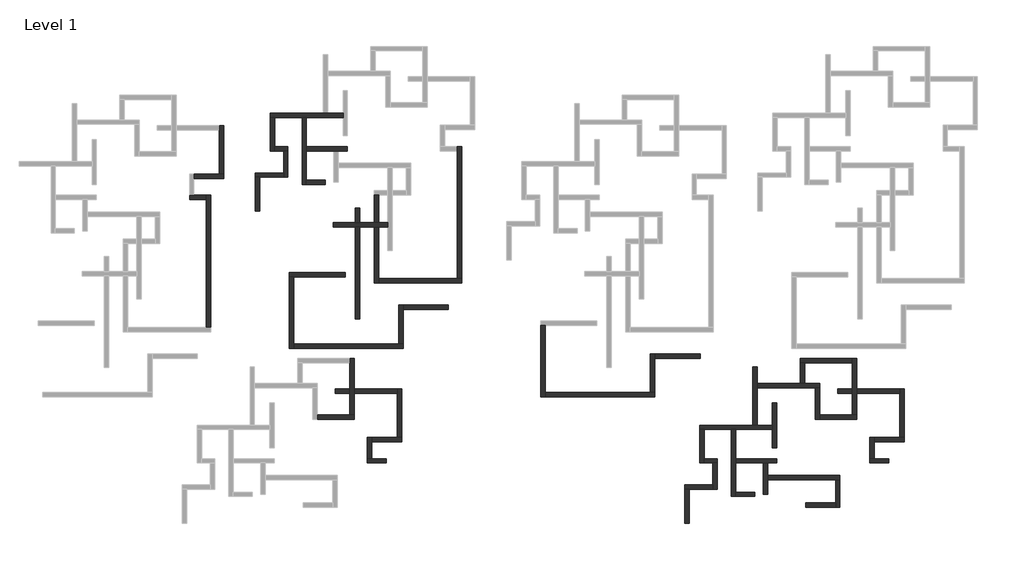
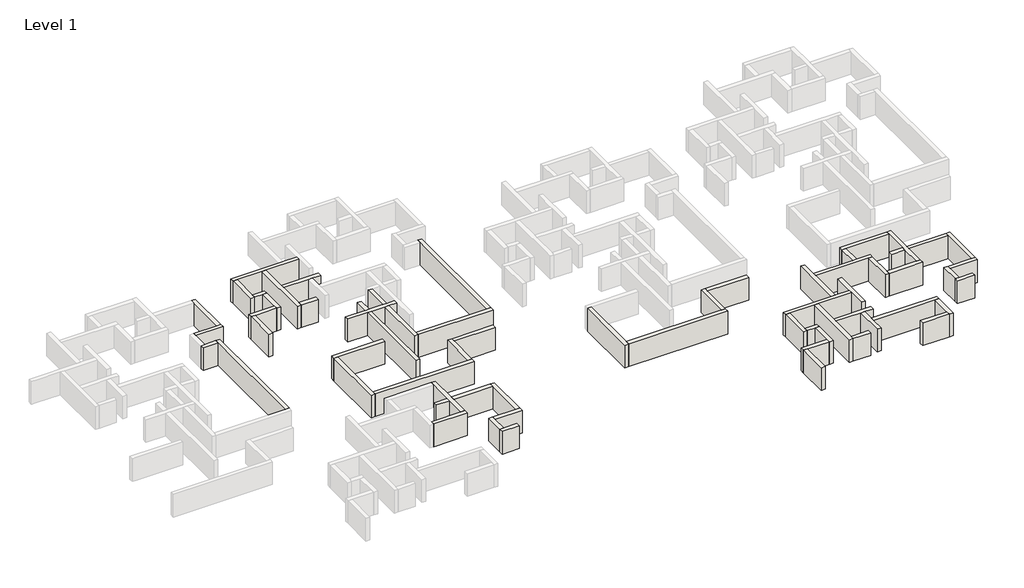
# One storey, part 2 of 7: 60 walls.
"""IFC4 building model written with IfcOpenShell, lengths in millimetres."""

from ifc_helpers import new_model, si_unit, origin, origin_with_axes, place, context, project, spatial, polyline, outline, extrude, faceted_brep, element, save

model = new_model("IFC4")

# Units and contexts
model_context = context("Model", 3, world=origin())
ifc_project = project(units=[si_unit("LENGTHUNIT", "METRE", prefix="MILLI")], contexts=[model_context])

# Site, building, storey
site = spatial("IfcSite", under=ifc_project)
building = spatial("IfcBuilding", under=site)
storey = spatial("IfcBuildingStorey", under=building, Name="Level 1", Elevation=0.0)

# Walls
placement = place(None, origin())
element("IfcWall", 1, ObjectType="Generic - 200mm", at=placement, inside=storey, context=model_context, shape_type="Brep", body=[
    faceted_brep([(2065.1966596, -61162.5465156, 0.0), (2065.1966596, -46162.5465156, 0.0), (2065.1966596, -46162.5465156, 3000.0), (2065.1966596, -61162.5465156, 3000.0), (1565.1966596, -61162.5465156, 0.0), (1565.1966596, -61162.5465156, 3000.0), (1565.1966596, -46662.5465156, 3000.0), (1565.1966596, -46162.5465156, 3000.0), (1565.1966596, -46162.5465156, 0.0), (1565.1966596, -46662.5465156, 0.0)], [[[0, 1, 2, 3]], [[4, 5, 6, 7, 8, 9]], [[1, 0, 4, 9, 8]], [[3, 2, 7, 6, 5]], [[0, 3, 5, 4]], [[2, 1, 8, 7]]]),
])
element("IfcWall", 2, ObjectType="Generic - 200mm", at=placement, inside=storey, context=model_context, shape_type="Brep", body=[
    faceted_brep([(1565.1966596, -46162.5465156, 0.0), (165.1966596, -46162.5465156, 0.0), (-334.8033404, -46162.5465156, 0.0), (-334.8033404, -46162.5465156, 3000.0), (165.1966596, -46162.5465156, 3000.0), (1565.1966596, -46162.5465156, 3000.0), (1565.1966596, -46662.5465156, 0.0), (1565.1966596, -46662.5465156, 3000.0), (-334.8033404, -46662.5465156, 3000.0), (-334.8033404, -46662.5465156, 0.0)], [[[0, 1, 2, 3, 4, 5]], [[6, 7, 8, 9]], [[2, 1, 0, 6, 9]], [[5, 4, 3, 8, 7]], [[0, 5, 7, 6]], [[3, 2, 9, 8]]]),
])
element("IfcWall", 3, ObjectType="Generic - 200mm", at=placement, inside=storey, context=model_context, shape_type="Brep", body=[
    faceted_brep([(165.1966596, -44262.5465156, 0.0), (3565.1966596, -44262.5465156, 0.0), (3565.1966596, -44262.5465156, 3000.0), (165.1966596, -44262.5465156, 3000.0), (165.1966596, -43762.5465156, 0.0), (165.1966596, -43762.5465156, 3000.0), (3065.1966596, -43762.5465156, 3000.0), (3565.1966596, -43762.5465156, 3000.0), (3565.1966596, -43762.5465156, 0.0), (3065.1966596, -43762.5465156, 0.0)], [[[0, 1, 2, 3]], [[4, 5, 6, 7, 8, 9]], [[1, 0, 4, 9, 8]], [[3, 2, 7, 6, 5]], [[0, 3, 5, 4]], [[2, 1, 8, 7]]]),
])
element("IfcWall", 4, ObjectType="Generic - 200mm", at=placement, inside=storey, context=model_context, shape_type="Brep", body=[
    faceted_brep([(3565.1966596, -43762.5465156, 0.0), (3565.1966596, -38262.5465156, 0.0), (3565.1966596, -38262.5465156, 3000.0), (3565.1966596, -43762.5465156, 3000.0), (3065.1966596, -43762.5465156, 0.0), (3065.1966596, -43762.5465156, 3000.0), (3065.1966596, -38762.5465156, 3000.0), (3065.1966596, -38262.5465156, 3000.0), (3065.1966596, -38262.5465156, 0.0), (3065.1966596, -38762.5465156, 0.0)], [[[0, 1, 2, 3]], [[4, 5, 6, 7, 8, 9]], [[1, 0, 4, 9, 8]], [[3, 2, 7, 6, 5]], [[0, 3, 5, 4]], [[2, 1, 8, 7]]]),
])
element("IfcWall", 5, ObjectType="Generic - 200mm", at=placement, inside=storey, context=model_context, shape_type="Brep", body=[
    faceted_brep([(8832.3849796, -37329.0856497, 0.0), (9332.3849796, -37329.0856497, 0.0), (12432.3849796, -37329.0856497, 0.0), (12932.3849796, -37329.0856497, 0.0), (17082.3849796, -37329.0856497, 0.0), (17082.3849796, -37329.0856497, 3000.0), (12932.3849796, -37329.0856497, 3000.0), (12432.3849796, -37329.0856497, 3000.0), (9332.3849796, -37329.0856497, 3000.0), (8832.3849796, -37329.0856497, 3000.0), (8832.3849796, -36829.0856497, 0.0), (8832.3849796, -36829.0856497, 3000.0), (14832.3849796, -36829.0856497, 3000.0), (15332.3849796, -36829.0856497, 3000.0), (17082.3849796, -36829.0856497, 3000.0), (17082.3849796, -36829.0856497, 0.0), (15332.3849796, -36829.0856497, 0.0), (14832.3849796, -36829.0856497, 0.0)], [[[0, 1, 2, 3, 4, 5, 6, 7, 8, 9]], [[10, 11, 12, 13, 14, 15, 16, 17]], [[4, 3, 2, 1, 0, 10, 17, 16, 15]], [[9, 8, 7, 6, 5, 14, 13, 12, 11]], [[0, 9, 11, 10]], [[5, 4, 15, 14]]]),
])
element("IfcWall", 6, ObjectType="Generic - 200mm", at=placement, inside=storey, context=model_context, shape_type="Brep", body=[
    faceted_brep([(12432.3849796, -37329.0856497, 0.0), (12432.3849796, -44929.0856497, 0.0), (12432.3849796, -44929.0856497, 3000.0), (12432.3849796, -37329.0856497, 3000.0), (12932.3849796, -37329.0856497, 0.0), (12932.3849796, -37329.0856497, 3000.0), (12932.3849796, -40629.0856497, 3000.0), (12932.3849796, -41129.0856497, 3000.0), (12932.3849796, -44429.0856497, 3000.0), (12932.3849796, -44929.0856497, 3000.0), (12932.3849796, -44929.0856497, 0.0), (12932.3849796, -44429.0856497, 0.0), (12932.3849796, -41129.0856497, 0.0), (12932.3849796, -40629.0856497, 0.0)], [[[0, 1, 2, 3]], [[4, 5, 6, 7, 8, 9, 10, 11, 12, 13]], [[1, 0, 4, 13, 12, 11, 10]], [[3, 2, 9, 8, 7, 6, 5]], [[0, 3, 5, 4]], [[2, 1, 10, 9]]]),
])
element("IfcWall", 7, ObjectType="Generic - 200mm", at=placement, inside=storey, context=model_context, shape_type="Brep", body=[
    faceted_brep([(12932.3849796, -41129.0856497, 0.0), (16032.3849796, -41129.0856497, 0.0), (16532.3849796, -41129.0856497, 0.0), (17582.3849796, -41129.0856497, 0.0), (17582.3849796, -41129.0856497, 3000.0), (16532.3849796, -41129.0856497, 3000.0), (16032.3849796, -41129.0856497, 3000.0), (12932.3849796, -41129.0856497, 3000.0), (12932.3849796, -40629.0856497, 0.0), (12932.3849796, -40629.0856497, 3000.0), (17582.3849796, -40629.0856497, 3000.0), (17582.3849796, -40629.0856497, 0.0)], [[[0, 1, 2, 3, 4, 5, 6, 7]], [[8, 9, 10, 11]], [[3, 2, 1, 0, 8, 11]], [[4, 3, 11, 10]], [[7, 6, 5, 4, 10, 9]], [[0, 7, 9, 8]]]),
])
element("IfcWall", 8, ObjectType="Generic - 200mm", at=placement, inside=storey, context=model_context, shape_type="Brep", body=[
    faceted_brep([(8832.3849796, -37329.0856497, 0.0), (8832.3849796, -41129.0856497, 0.0), (8832.3849796, -41129.0856497, 3000.0), (8832.3849796, -37329.0856497, 3000.0), (9332.3849796, -37329.0856497, 0.0), (9332.3849796, -37329.0856497, 3000.0), (9332.3849796, -40629.0856497, 3000.0), (9332.3849796, -41129.0856497, 3000.0), (9332.3849796, -41129.0856497, 0.0), (9332.3849796, -40629.0856497, 0.0)], [[[0, 1, 2, 3]], [[4, 5, 6, 7, 8, 9]], [[1, 0, 4, 9, 8]], [[3, 2, 7, 6, 5]], [[0, 3, 5, 4]], [[2, 1, 8, 7]]]),
])
element("IfcWall", 9, ObjectType="Generic - 200mm", at=placement, inside=storey, context=model_context, shape_type="Brep", body=[
    faceted_brep([(9332.3849796, -41129.0856497, 0.0), (10332.3849796, -41129.0856497, 0.0), (10832.3849796, -41129.0856497, 0.0), (10832.3849796, -41129.0856497, 3000.0), (10332.3849796, -41129.0856497, 3000.0), (9332.3849796, -41129.0856497, 3000.0), (9332.3849796, -40629.0856497, 0.0), (9332.3849796, -40629.0856497, 3000.0), (10832.3849796, -40629.0856497, 3000.0), (10832.3849796, -40629.0856497, 0.0)], [[[0, 1, 2, 3, 4, 5]], [[6, 7, 8, 9]], [[2, 1, 0, 6, 9]], [[5, 4, 3, 8, 7]], [[0, 5, 7, 6]], [[3, 2, 9, 8]]]),
])
element("IfcWall", 10, ObjectType="Generic - 200mm", at=placement, inside=storey, context=model_context, shape_type="Brep", body=[
    faceted_brep([(10332.3849796, -41129.0856497, 0.0), (10332.3849796, -43629.0856497, 0.0), (10332.3849796, -44129.0856497, 0.0), (10332.3849796, -44129.0856497, 3000.0), (10332.3849796, -43629.0856497, 3000.0), (10332.3849796, -41129.0856497, 3000.0), (10832.3849796, -41129.0856497, 0.0), (10832.3849796, -41129.0856497, 3000.0), (10832.3849796, -44129.0856497, 3000.0), (10832.3849796, -44129.0856497, 0.0)], [[[0, 1, 2, 3, 4, 5]], [[6, 7, 8, 9]], [[2, 1, 0, 6, 9]], [[5, 4, 3, 8, 7]], [[0, 5, 7, 6]], [[3, 2, 9, 8]]]),
])
element("IfcWall", 11, ObjectType="Generic - 200mm", at=placement, inside=storey, context=model_context, shape_type="Brep", body=[
    faceted_brep([(10332.3849796, -43629.0856497, 0.0), (7132.3849796, -43629.0856497, 0.0), (7132.3849796, -43629.0856497, 3000.0), (10332.3849796, -43629.0856497, 3000.0), (10332.3849796, -44129.0856497, 0.0), (10332.3849796, -44129.0856497, 3000.0), (7632.3849796, -44129.0856497, 3000.0), (7132.3849796, -44129.0856497, 3000.0), (7132.3849796, -44129.0856497, 0.0), (7632.3849796, -44129.0856497, 0.0)], [[[0, 1, 2, 3]], [[4, 5, 6, 7, 8, 9]], [[1, 0, 4, 9, 8]], [[3, 2, 7, 6, 5]], [[0, 3, 5, 4]], [[2, 1, 8, 7]]]),
])
element("IfcWall", 12, ObjectType="Generic - 200mm", at=placement, inside=storey, context=model_context, shape_type="SweptSolid", body=[
    extrude(outline(polyline([(7132.3849796, -47979.0856497), (7132.3849796, -44129.0856497), (7632.3849796, -44129.0856497), (7632.3849796, -47979.0856497), (7132.3849796, -47979.0856497)])), origin_with_axes(), (0.0, 0.0, 1.0), 3000.0),
])
element("IfcWall", 13, ObjectType="Generic - 200mm", at=placement, inside=storey, context=model_context, shape_type="SweptSolid", body=[
    extrude(outline(polyline([(15082.3849796, -44929.0856497), (12932.3849796, -44929.0856497), (12932.3849796, -44429.0856497), (15082.3849796, -44429.0856497), (15082.3849796, -44929.0856497)])), origin_with_axes(), (0.0, 0.0, 1.0), 3000.0),
])
element("IfcWall", 14, ObjectType="Generic - 200mm", at=placement, inside=storey, context=model_context, shape_type="Brep", body=[
    faceted_brep([(22132.3849796, -49279.0856497, 0.0), (21132.3849796, -49279.0856497, 0.0), (20632.3849796, -49279.0856497, 0.0), (18951.9708687, -49279.0856497, 0.0), (18451.9708687, -49279.0856497, 0.0), (15982.3849796, -49279.0856497, 0.0), (15982.3849796, -49279.0856497, 3000.0), (18451.9708687, -49279.0856497, 3000.0), (18951.9708687, -49279.0856497, 3000.0), (20632.3849796, -49279.0856497, 3000.0), (21132.3849796, -49279.0856497, 3000.0), (22132.3849796, -49279.0856497, 3000.0), (22132.3849796, -49779.0856497, 0.0), (22132.3849796, -49779.0856497, 3000.0), (21132.3849796, -49779.0856497, 3000.0), (20632.3849796, -49779.0856497, 3000.0), (18951.9708687, -49779.0856497, 3000.0), (18451.9708687, -49779.0856497, 3000.0), (15982.3849796, -49779.0856497, 3000.0), (15982.3849796, -49779.0856497, 0.0), (18451.9708687, -49779.0856497, 0.0), (18951.9708687, -49779.0856497, 0.0), (20632.3849796, -49779.0856497, 0.0), (21132.3849796, -49779.0856497, 0.0)], [[[0, 1, 2, 3, 4, 5, 6, 7, 8, 9, 10, 11]], [[12, 13, 14, 15, 16, 17, 18, 19, 20, 21, 22, 23]], [[5, 4, 3, 2, 1, 0, 12, 23, 22, 21, 20, 19]], [[6, 5, 19, 18]], [[11, 10, 9, 8, 7, 6, 18, 17, 16, 15, 14, 13]], [[0, 11, 13, 12]]]),
])
element("IfcWall", 15, ObjectType="Generic - 200mm", at=placement, inside=storey, context=model_context, shape_type="SweptSolid", body=[
    extrude(outline(polyline([(18951.9708687, -60201.9996942), (18451.9708687, -60201.9996942), (18451.9708687, -49779.0856497), (18951.9708687, -49779.0856497), (18951.9708687, -60201.9996942)])), origin_with_axes(), (0.0, 0.0, 1.0), 3000.0),
    extrude(outline(polyline([(18451.9708687, -47601.9996942), (18951.9708687, -47601.9996942), (18951.9708687, -49279.0856497), (18451.9708687, -49279.0856497), (18451.9708687, -47601.9996942)])), origin_with_axes(), (0.0, 0.0, 1.0), 3000.0),
])
element("IfcWall", 16, ObjectType="Generic - 200mm", at=placement, inside=storey, context=model_context, shape_type="Brep", body=[
    faceted_brep([(20632.3849796, -46129.0856497, 3000.0), (20632.3849796, -46129.0856497, 0.0), (20632.3849796, -49279.0856497, 0.0), (20632.3849796, -49279.0856497, 3000.0), (21132.3849796, -46129.0856497, 0.0), (21132.3849796, -46129.0856497, 3000.0), (21132.3849796, -49279.0856497, 3000.0), (21132.3849796, -49279.0856497, 0.0)], [[[0, 1, 2, 3]], [[4, 5, 6, 7]], [[1, 4, 7, 2]], [[5, 0, 3, 6]], [[1, 0, 5, 4]], [[3, 2, 7, 6]]]),
    faceted_brep([(20632.3849796, -56129.0856497, 0.0), (20632.3849796, -56129.0856497, 3000.0), (20632.3849796, -49779.0856497, 3000.0), (20632.3849796, -49779.0856497, 0.0), (21132.3849796, -56129.0856497, 3000.0), (21132.3849796, -56129.0856497, 0.0), (21132.3849796, -55629.0856497, 0.0), (21132.3849796, -49779.0856497, 0.0), (21132.3849796, -49779.0856497, 3000.0), (21132.3849796, -55629.0856497, 3000.0)], [[[0, 1, 2, 3]], [[4, 5, 6, 7, 8, 9]], [[5, 0, 3, 7, 6]], [[1, 4, 9, 8, 2]], [[3, 2, 8, 7]], [[1, 0, 5, 4]]]),
])
element("IfcWall", 17, ObjectType="Generic - 200mm", at=placement, inside=storey, context=model_context, shape_type="Brep", body=[
    faceted_brep([(21132.3849796, -56129.0856497, 0.0), (30532.3849796, -56129.0856497, 0.0), (30532.3849796, -56129.0856497, 3000.0), (21132.3849796, -56129.0856497, 3000.0), (21132.3849796, -55629.0856497, 0.0), (21132.3849796, -55629.0856497, 3000.0), (30032.3849796, -55629.0856497, 3000.0), (30532.3849796, -55629.0856497, 3000.0), (30532.3849796, -55629.0856497, 0.0), (30032.3849796, -55629.0856497, 0.0)], [[[0, 1, 2, 3]], [[4, 5, 6, 7, 8, 9]], [[1, 0, 4, 9, 8]], [[3, 2, 7, 6, 5]], [[0, 3, 5, 4]], [[2, 1, 8, 7]]]),
])
element("IfcWall", 18, ObjectType="Generic - 200mm", at=placement, inside=storey, context=model_context, shape_type="Brep", body=[
    faceted_brep([(30532.3849796, -55629.0856497, 0.0), (30532.3849796, -40629.0856497, 0.0), (30532.3849796, -40629.0856497, 3000.0), (30532.3849796, -55629.0856497, 3000.0), (30032.3849796, -55629.0856497, 0.0), (30032.3849796, -55629.0856497, 3000.0), (30032.3849796, -41129.0856497, 3000.0), (30032.3849796, -40629.0856497, 3000.0), (30032.3849796, -40629.0856497, 0.0), (30032.3849796, -41129.0856497, 0.0)], [[[0, 1, 2, 3]], [[4, 5, 6, 7, 8, 9]], [[1, 0, 4, 9, 8]], [[3, 2, 7, 6, 5]], [[0, 3, 5, 4]], [[2, 1, 8, 7]]]),
])
element("IfcWall", 19, ObjectType="Generic - 200mm", at=placement, inside=storey, context=model_context, shape_type="Brep", body=[
    faceted_brep([(17332.3849796, -54929.0856497, 0.0), (10982.3849796, -54929.0856497, 0.0), (10982.3849796, -54929.0856497, 3000.0), (17332.3849796, -54929.0856497, 3000.0), (17332.3849796, -55429.0856497, 0.0), (17332.3849796, -55429.0856497, 3000.0), (11482.3849796, -55429.0856497, 3000.0), (10982.3849796, -55429.0856497, 3000.0), (10982.3849796, -55429.0856497, 0.0), (11482.3849796, -55429.0856497, 0.0)], [[[0, 1, 2, 3]], [[4, 5, 6, 7, 8, 9]], [[1, 0, 4, 9, 8]], [[3, 2, 7, 6, 5]], [[0, 3, 5, 4]], [[2, 1, 8, 7]]]),
])
element("IfcWall", 20, ObjectType="Generic - 200mm", at=placement, inside=storey, context=model_context, shape_type="Brep", body=[
    faceted_brep([(10982.3849796, -55429.0856497, 0.0), (10982.3849796, -63529.0856497, 0.0), (10982.3849796, -63529.0856497, 3000.0), (10982.3849796, -55429.0856497, 3000.0), (11482.3849796, -55429.0856497, 0.0), (11482.3849796, -55429.0856497, 3000.0), (11482.3849796, -63029.0856497, 3000.0), (11482.3849796, -63529.0856497, 3000.0), (11482.3849796, -63529.0856497, 0.0), (11482.3849796, -63029.0856497, 0.0)], [[[0, 1, 2, 3]], [[4, 5, 6, 7, 8, 9]], [[1, 0, 4, 9, 8]], [[3, 2, 7, 6, 5]], [[0, 3, 5, 4]], [[2, 1, 8, 7]]]),
])
element("IfcWall", 21, ObjectType="Generic - 200mm", at=placement, inside=storey, context=model_context, shape_type="Brep", body=[
    faceted_brep([(11482.3849796, -63529.0856497, 0.0), (23882.3849796, -63529.0856497, 0.0), (23882.3849796, -63529.0856497, 3000.0), (11482.3849796, -63529.0856497, 3000.0), (11482.3849796, -63029.0856497, 0.0), (11482.3849796, -63029.0856497, 3000.0), (23382.3849796, -63029.0856497, 3000.0), (23882.3849796, -63029.0856497, 3000.0), (23882.3849796, -63029.0856497, 0.0), (23382.3849796, -63029.0856497, 0.0)], [[[0, 1, 2, 3]], [[4, 5, 6, 7, 8, 9]], [[1, 0, 4, 9, 8]], [[3, 2, 7, 6, 5]], [[0, 3, 5, 4]], [[2, 1, 8, 7]]]),
])
element("IfcWall", 22, ObjectType="Generic - 200mm", at=placement, inside=storey, context=model_context, shape_type="Brep", body=[
    faceted_brep([(23882.3849796, -63029.0856497, 0.0), (23882.3849796, -59129.0856497, 0.0), (23882.3849796, -58629.0856497, 0.0), (23882.3849796, -58629.0856497, 3000.0), (23882.3849796, -59129.0856497, 3000.0), (23882.3849796, -63029.0856497, 3000.0), (23382.3849796, -63029.0856497, 0.0), (23382.3849796, -63029.0856497, 3000.0), (23382.3849796, -58629.0856497, 3000.0), (23382.3849796, -58629.0856497, 0.0)], [[[0, 1, 2, 3, 4, 5]], [[6, 7, 8, 9]], [[2, 1, 0, 6, 9]], [[5, 4, 3, 8, 7]], [[0, 5, 7, 6]], [[3, 2, 9, 8]]]),
])
element("IfcWall", 23, ObjectType="Generic - 200mm", at=placement, inside=storey, context=model_context, shape_type="SweptSolid", body=[
    extrude(outline(polyline([(29032.3849796, -59129.0856497), (23882.3849796, -59129.0856497), (23882.3849796, -58629.0856497), (29032.3849796, -58629.0856497), (29032.3849796, -59129.0856497)])), origin_with_axes(), (0.0, 0.0, 1.0), 3000.0),
])
element("IfcWall", 24, ObjectType="Generic - 200mm", at=placement, inside=storey, context=model_context, shape_type="Brep", body=[
    faceted_brep([(14132.3849796, -71611.6327635, 0.0), (18332.3849796, -71611.6327635, 0.0), (18332.3849796, -71611.6327635, 3000.0), (14132.3849796, -71611.6327635, 3000.0), (14132.3849796, -71111.6327635, 0.0), (14132.3849796, -71111.6327635, 3000.0), (17832.3849796, -71111.6327635, 3000.0), (18332.3849796, -71111.6327635, 3000.0), (18332.3849796, -71111.6327635, 0.0), (17832.3849796, -71111.6327635, 0.0)], [[[0, 1, 2, 3]], [[4, 5, 6, 7, 8, 9]], [[1, 0, 4, 9, 8]], [[3, 2, 7, 6, 5]], [[0, 3, 5, 4]], [[2, 1, 8, 7]]]),
])
element("IfcWall", 25, ObjectType="Generic - 200mm", at=placement, inside=storey, context=model_context, shape_type="Brep", body=[
    faceted_brep([(18332.3849796, -71111.6327635, 0.0), (18332.3849796, -68661.6327635, 0.0), (18332.3849796, -68161.6327635, 0.0), (18332.3849796, -64711.6327635, 0.0), (18332.3849796, -64711.6327635, 3000.0), (18332.3849796, -68161.6327635, 3000.0), (18332.3849796, -68661.6327635, 3000.0), (18332.3849796, -71111.6327635, 3000.0), (17832.3849796, -71111.6327635, 0.0), (17832.3849796, -71111.6327635, 3000.0), (17832.3849796, -68661.6327635, 3000.0), (17832.3849796, -68161.6327635, 3000.0), (17832.3849796, -65211.6327635, 3000.0), (17832.3849796, -64711.6327635, 3000.0), (17832.3849796, -64711.6327635, 0.0), (17832.3849796, -65211.6327635, 0.0), (17832.3849796, -68161.6327635, 0.0), (17832.3849796, -68661.6327635, 0.0)], [[[0, 1, 2, 3, 4, 5, 6, 7]], [[8, 9, 10, 11, 12, 13, 14, 15, 16, 17]], [[3, 2, 1, 0, 8, 17, 16, 15, 14]], [[7, 6, 5, 4, 13, 12, 11, 10, 9]], [[0, 7, 9, 8]], [[4, 3, 14, 13]]]),
])
element("IfcWall", 26, ObjectType="Generic - 200mm", at=placement, inside=storey, context=model_context, shape_type="Brep", body=[
    faceted_brep([(21982.3849796, -76061.6327635, 0.0), (20332.3849796, -76061.6327635, 0.0), (19832.3849796, -76061.6327635, 0.0), (19832.3849796, -76061.6327635, 3000.0), (20332.3849796, -76061.6327635, 3000.0), (21982.3849796, -76061.6327635, 3000.0), (21982.3849796, -76561.6327635, 0.0), (21982.3849796, -76561.6327635, 3000.0), (19832.3849796, -76561.6327635, 3000.0), (19832.3849796, -76561.6327635, 0.0)], [[[0, 1, 2, 3, 4, 5]], [[6, 7, 8, 9]], [[2, 1, 0, 6, 9]], [[5, 4, 3, 8, 7]], [[0, 5, 7, 6]], [[3, 2, 9, 8]]]),
])
element("IfcWall", 27, ObjectType="Generic - 200mm", at=placement, inside=storey, context=model_context, shape_type="Brep", body=[
    faceted_brep([(20332.3849796, -76061.6327635, 0.0), (20332.3849796, -74161.6327635, 0.0), (20332.3849796, -73661.6327635, 0.0), (20332.3849796, -73661.6327635, 3000.0), (20332.3849796, -74161.6327635, 3000.0), (20332.3849796, -76061.6327635, 3000.0), (19832.3849796, -76061.6327635, 0.0), (19832.3849796, -76061.6327635, 3000.0), (19832.3849796, -73661.6327635, 3000.0), (19832.3849796, -73661.6327635, 0.0)], [[[0, 1, 2, 3, 4, 5]], [[6, 7, 8, 9]], [[2, 1, 0, 6, 9]], [[5, 4, 3, 8, 7]], [[0, 5, 7, 6]], [[3, 2, 9, 8]]]),
])
element("IfcWall", 28, ObjectType="Generic - 200mm", at=placement, inside=storey, context=model_context, shape_type="Brep", body=[
    faceted_brep([(20332.3849796, -74161.6327635, 0.0), (23732.3849796, -74161.6327635, 0.0), (23732.3849796, -74161.6327635, 3000.0), (20332.3849796, -74161.6327635, 3000.0), (20332.3849796, -73661.6327635, 0.0), (20332.3849796, -73661.6327635, 3000.0), (23232.3849796, -73661.6327635, 3000.0), (23732.3849796, -73661.6327635, 3000.0), (23732.3849796, -73661.6327635, 0.0), (23232.3849796, -73661.6327635, 0.0)], [[[0, 1, 2, 3]], [[4, 5, 6, 7, 8, 9]], [[1, 0, 4, 9, 8]], [[3, 2, 7, 6, 5]], [[0, 3, 5, 4]], [[2, 1, 8, 7]]]),
])
element("IfcWall", 29, ObjectType="Generic - 200mm", at=placement, inside=storey, context=model_context, shape_type="Brep", body=[
    faceted_brep([(23732.3849796, -73661.6327635, 0.0), (23732.3849796, -68161.6327635, 0.0), (23732.3849796, -68161.6327635, 3000.0), (23732.3849796, -73661.6327635, 3000.0), (23232.3849796, -73661.6327635, 0.0), (23232.3849796, -73661.6327635, 3000.0), (23232.3849796, -68661.6327635, 3000.0), (23232.3849796, -68161.6327635, 3000.0), (23232.3849796, -68161.6327635, 0.0), (23232.3849796, -68661.6327635, 0.0)], [[[0, 1, 2, 3]], [[4, 5, 6, 7, 8, 9]], [[1, 0, 4, 9, 8]], [[3, 2, 7, 6, 5]], [[0, 3, 5, 4]], [[2, 1, 8, 7]]]),
])
element("IfcWall", 30, ObjectType="Generic - 200mm", at=placement, inside=storey, context=model_context, shape_type="SweptSolid", body=[
    extrude(outline(polyline([(16182.3849796, -68661.6327635), (16182.3849796, -68161.6327635), (17832.3849796, -68161.6327635), (17832.3849796, -68661.6327635), (16182.3849796, -68661.6327635)])), origin_with_axes(), (0.0, 0.0, 1.0), 3000.0),
    extrude(outline(polyline([(23232.3849796, -68161.6327635), (23232.3849796, -68661.6327635), (18332.3849796, -68661.6327635), (18332.3849796, -68161.6327635), (23232.3849796, -68161.6327635)])), origin_with_axes(), (0.0, 0.0, 1.0), 3000.0),
])
element("IfcWall", 31, ObjectType="Generic - 200mm", at=placement, inside=storey, context=model_context, shape_type="Brep", body=[
    faceted_brep([(39515.1966596, -60962.5465156, 0.0), (39515.1966596, -69062.5465156, 0.0), (39515.1966596, -69062.5465156, 3000.0), (39515.1966596, -60962.5465156, 3000.0), (40015.1966596, -60962.5465156, 0.0), (40015.1966596, -60962.5465156, 3000.0), (40015.1966596, -68562.5465156, 3000.0), (40015.1966596, -69062.5465156, 3000.0), (40015.1966596, -69062.5465156, 0.0), (40015.1966596, -68562.5465156, 0.0)], [[[0, 1, 2, 3]], [[4, 5, 6, 7, 8, 9]], [[1, 0, 4, 9, 8]], [[3, 2, 7, 6, 5]], [[0, 3, 5, 4]], [[2, 1, 8, 7]]]),
])
element("IfcWall", 32, ObjectType="Generic - 200mm", at=placement, inside=storey, context=model_context, shape_type="Brep", body=[
    faceted_brep([(40015.1966596, -69062.5465156, 0.0), (52415.1966596, -69062.5465156, 0.0), (52415.1966596, -69062.5465156, 3000.0), (40015.1966596, -69062.5465156, 3000.0), (40015.1966596, -68562.5465156, 0.0), (40015.1966596, -68562.5465156, 3000.0), (51915.1966596, -68562.5465156, 3000.0), (52415.1966596, -68562.5465156, 3000.0), (52415.1966596, -68562.5465156, 0.0), (51915.1966596, -68562.5465156, 0.0)], [[[0, 1, 2, 3]], [[4, 5, 6, 7, 8, 9]], [[1, 0, 4, 9, 8]], [[3, 2, 7, 6, 5]], [[0, 3, 5, 4]], [[2, 1, 8, 7]]]),
])
element("IfcWall", 33, ObjectType="Generic - 200mm", at=placement, inside=storey, context=model_context, shape_type="Brep", body=[
    faceted_brep([(52415.1966596, -68562.5465156, 0.0), (52415.1966596, -64662.5465156, 0.0), (52415.1966596, -64162.5465156, 0.0), (52415.1966596, -64162.5465156, 3000.0), (52415.1966596, -64662.5465156, 3000.0), (52415.1966596, -68562.5465156, 3000.0), (51915.1966596, -68562.5465156, 0.0), (51915.1966596, -68562.5465156, 3000.0), (51915.1966596, -64162.5465156, 3000.0), (51915.1966596, -64162.5465156, 0.0)], [[[0, 1, 2, 3, 4, 5]], [[6, 7, 8, 9]], [[2, 1, 0, 6, 9]], [[5, 4, 3, 8, 7]], [[0, 5, 7, 6]], [[3, 2, 9, 8]]]),
])
element("IfcWall", 34, ObjectType="Generic - 200mm", at=placement, inside=storey, context=model_context, shape_type="SweptSolid", body=[
    extrude(outline(polyline([(57565.1966596, -64662.5465156), (52415.1966596, -64662.5465156), (52415.1966596, -64162.5465156), (57565.1966596, -64162.5465156), (57565.1966596, -64662.5465156)])), origin_with_axes(), (0.0, 0.0, 1.0), 3000.0),
])
element("IfcWall", 35, ObjectType="Generic - 200mm", at=placement, inside=storey, context=model_context, shape_type="Brep", body=[
    faceted_brep([(57532.3849796, -72761.6327635, 0.0), (58032.3849796, -72761.6327635, 0.0), (61132.3849796, -72761.6327635, 0.0), (61632.3849796, -72761.6327635, 0.0), (65782.3849796, -72761.6327635, 0.0), (65782.3849796, -72761.6327635, 3000.0), (61632.3849796, -72761.6327635, 3000.0), (61132.3849796, -72761.6327635, 3000.0), (58032.3849796, -72761.6327635, 3000.0), (57532.3849796, -72761.6327635, 3000.0), (57532.3849796, -72261.6327635, 0.0), (57532.3849796, -72261.6327635, 3000.0), (63532.3849796, -72261.6327635, 3000.0), (64032.3849796, -72261.6327635, 3000.0), (65782.3849796, -72261.6327635, 3000.0), (65782.3849796, -72261.6327635, 0.0), (64032.3849796, -72261.6327635, 0.0), (63532.3849796, -72261.6327635, 0.0)], [[[0, 1, 2, 3, 4, 5, 6, 7, 8, 9]], [[10, 11, 12, 13, 14, 15, 16, 17]], [[4, 3, 2, 1, 0, 10, 17, 16, 15]], [[9, 8, 7, 6, 5, 14, 13, 12, 11]], [[0, 9, 11, 10]], [[5, 4, 15, 14]]]),
])
element("IfcWall", 36, ObjectType="Generic - 200mm", at=placement, inside=storey, context=model_context, shape_type="Brep", body=[
    faceted_brep([(61132.3849796, -72761.6327635, 0.0), (61132.3849796, -80361.6327635, 0.0), (61132.3849796, -80361.6327635, 3000.0), (61132.3849796, -72761.6327635, 3000.0), (61632.3849796, -72761.6327635, 0.0), (61632.3849796, -72761.6327635, 3000.0), (61632.3849796, -76061.6327635, 3000.0), (61632.3849796, -76561.6327635, 3000.0), (61632.3849796, -79861.6327635, 3000.0), (61632.3849796, -80361.6327635, 3000.0), (61632.3849796, -80361.6327635, 0.0), (61632.3849796, -79861.6327635, 0.0), (61632.3849796, -76561.6327635, 0.0), (61632.3849796, -76061.6327635, 0.0)], [[[0, 1, 2, 3]], [[4, 5, 6, 7, 8, 9, 10, 11, 12, 13]], [[1, 0, 4, 13, 12, 11, 10]], [[3, 2, 9, 8, 7, 6, 5]], [[0, 3, 5, 4]], [[2, 1, 10, 9]]]),
])
element("IfcWall", 37, ObjectType="Generic - 200mm", at=placement, inside=storey, context=model_context, shape_type="Brep", body=[
    faceted_brep([(61632.3849796, -76561.6327635, 0.0), (64732.3849796, -76561.6327635, 0.0), (65232.3849796, -76561.6327635, 0.0), (66282.3849796, -76561.6327635, 0.0), (66282.3849796, -76561.6327635, 3000.0), (65232.3849796, -76561.6327635, 3000.0), (64732.3849796, -76561.6327635, 3000.0), (61632.3849796, -76561.6327635, 3000.0), (61632.3849796, -76061.6327635, 0.0), (61632.3849796, -76061.6327635, 3000.0), (66282.3849796, -76061.6327635, 3000.0), (66282.3849796, -76061.6327635, 0.0)], [[[0, 1, 2, 3, 4, 5, 6, 7]], [[8, 9, 10, 11]], [[3, 2, 1, 0, 8, 11]], [[4, 3, 11, 10]], [[7, 6, 5, 4, 10, 9]], [[0, 7, 9, 8]]]),
])
element("IfcWall", 38, ObjectType="Generic - 200mm", at=placement, inside=storey, context=model_context, shape_type="Brep", body=[
    faceted_brep([(64732.3849796, -76561.6327635, 0.0), (64732.3849796, -80111.6327635, 0.0), (64732.3849796, -80111.6327635, 3000.0), (64732.3849796, -76561.6327635, 3000.0), (65232.3849796, -76561.6327635, 0.0), (65232.3849796, -76561.6327635, 3000.0), (65232.3849796, -77961.6327635, 3000.0), (65232.3849796, -78461.6327635, 3000.0), (65232.3849796, -80111.6327635, 3000.0), (65232.3849796, -80111.6327635, 0.0), (65232.3849796, -78461.6327635, 0.0), (65232.3849796, -77961.6327635, 0.0)], [[[0, 1, 2, 3]], [[4, 5, 6, 7, 8, 9, 10, 11]], [[1, 0, 4, 11, 10, 9]], [[2, 1, 9, 8]], [[3, 2, 8, 7, 6, 5]], [[0, 3, 5, 4]]]),
])
element("IfcWall", 39, ObjectType="Generic - 200mm", at=placement, inside=storey, context=model_context, shape_type="Brep", body=[
    faceted_brep([(57532.3849796, -72761.6327635, 0.0), (57532.3849796, -76561.6327635, 0.0), (57532.3849796, -76561.6327635, 3000.0), (57532.3849796, -72761.6327635, 3000.0), (58032.3849796, -72761.6327635, 0.0), (58032.3849796, -72761.6327635, 3000.0), (58032.3849796, -76061.6327635, 3000.0), (58032.3849796, -76561.6327635, 3000.0), (58032.3849796, -76561.6327635, 0.0), (58032.3849796, -76061.6327635, 0.0)], [[[0, 1, 2, 3]], [[4, 5, 6, 7, 8, 9]], [[1, 0, 4, 9, 8]], [[3, 2, 7, 6, 5]], [[0, 3, 5, 4]], [[2, 1, 8, 7]]]),
])
element("IfcWall", 40, ObjectType="Generic - 200mm", at=placement, inside=storey, context=model_context, shape_type="Brep", body=[
    faceted_brep([(58032.3849796, -76561.6327635, 0.0), (59032.3849796, -76561.6327635, 0.0), (59532.3849796, -76561.6327635, 0.0), (59532.3849796, -76561.6327635, 3000.0), (59032.3849796, -76561.6327635, 3000.0), (58032.3849796, -76561.6327635, 3000.0), (58032.3849796, -76061.6327635, 0.0), (58032.3849796, -76061.6327635, 3000.0), (59532.3849796, -76061.6327635, 3000.0), (59532.3849796, -76061.6327635, 0.0)], [[[0, 1, 2, 3, 4, 5]], [[6, 7, 8, 9]], [[2, 1, 0, 6, 9]], [[5, 4, 3, 8, 7]], [[0, 5, 7, 6]], [[3, 2, 9, 8]]]),
])
element("IfcWall", 41, ObjectType="Generic - 200mm", at=placement, inside=storey, context=model_context, shape_type="Brep", body=[
    faceted_brep([(59032.3849796, -76561.6327635, 0.0), (59032.3849796, -79061.6327635, 0.0), (59032.3849796, -79561.6327635, 0.0), (59032.3849796, -79561.6327635, 3000.0), (59032.3849796, -79061.6327635, 3000.0), (59032.3849796, -76561.6327635, 3000.0), (59532.3849796, -76561.6327635, 0.0), (59532.3849796, -76561.6327635, 3000.0), (59532.3849796, -79561.6327635, 3000.0), (59532.3849796, -79561.6327635, 0.0)], [[[0, 1, 2, 3, 4, 5]], [[6, 7, 8, 9]], [[2, 1, 0, 6, 9]], [[5, 4, 3, 8, 7]], [[0, 5, 7, 6]], [[3, 2, 9, 8]]]),
])
element("IfcWall", 42, ObjectType="Generic - 200mm", at=placement, inside=storey, context=model_context, shape_type="Brep", body=[
    faceted_brep([(59032.3849796, -79061.6327635, 0.0), (55832.3849796, -79061.6327635, 0.0), (55832.3849796, -79061.6327635, 3000.0), (59032.3849796, -79061.6327635, 3000.0), (59032.3849796, -79561.6327635, 0.0), (59032.3849796, -79561.6327635, 3000.0), (56332.3849796, -79561.6327635, 3000.0), (55832.3849796, -79561.6327635, 3000.0), (55832.3849796, -79561.6327635, 0.0), (56332.3849796, -79561.6327635, 0.0)], [[[0, 1, 2, 3]], [[4, 5, 6, 7, 8, 9]], [[1, 0, 4, 9, 8]], [[3, 2, 7, 6, 5]], [[0, 3, 5, 4]], [[2, 1, 8, 7]]]),
])
element("IfcWall", 43, ObjectType="Generic - 200mm", at=placement, inside=storey, context=model_context, shape_type="SweptSolid", body=[
    extrude(outline(polyline([(55832.3849796, -83411.6327635), (55832.3849796, -79561.6327635), (56332.3849796, -79561.6327635), (56332.3849796, -83411.6327635), (55832.3849796, -83411.6327635)])), origin_with_axes(), (0.0, 0.0, 1.0), 3000.0),
])
element("IfcWall", 44, ObjectType="Generic - 200mm", at=placement, inside=storey, context=model_context, shape_type="SweptSolid", body=[
    extrude(outline(polyline([(63782.3849796, -80361.6327635), (61632.3849796, -80361.6327635), (61632.3849796, -79861.6327635), (63782.3849796, -79861.6327635), (63782.3849796, -80361.6327635)])), origin_with_axes(), (0.0, 0.0, 1.0), 3000.0),
])
element("IfcWall", 45, ObjectType="Generic - 200mm", at=placement, inside=storey, context=model_context, shape_type="Brep", body=[
    faceted_brep([(65232.3849796, -78461.6327635, 0.0), (72932.3849796, -78461.6327635, 0.0), (73432.3849796, -78461.6327635, 0.0), (73432.3849796, -78461.6327635, 3000.0), (72932.3849796, -78461.6327635, 3000.0), (65232.3849796, -78461.6327635, 3000.0), (65232.3849796, -77961.6327635, 0.0), (65232.3849796, -77961.6327635, 3000.0), (73432.3849796, -77961.6327635, 3000.0), (73432.3849796, -77961.6327635, 0.0)], [[[0, 1, 2, 3, 4, 5]], [[6, 7, 8, 9]], [[2, 1, 0, 6, 9]], [[5, 4, 3, 8, 7]], [[0, 5, 7, 6]], [[3, 2, 9, 8]]]),
])
element("IfcWall", 46, ObjectType="Generic - 200mm", at=placement, inside=storey, context=model_context, shape_type="Brep", body=[
    faceted_brep([(64032.3849796, -72261.6327635, 0.0), (64032.3849796, -68011.6327635, 0.0), (64032.3849796, -67511.6327635, 0.0), (64032.3849796, -65661.6327635, 0.0), (64032.3849796, -65661.6327635, 3000.0), (64032.3849796, -67511.6327635, 3000.0), (64032.3849796, -68011.6327635, 3000.0), (64032.3849796, -72261.6327635, 3000.0), (63532.3849796, -72261.6327635, 0.0), (63532.3849796, -72261.6327635, 3000.0), (63532.3849796, -65661.6327635, 3000.0), (63532.3849796, -65661.6327635, 0.0)], [[[0, 1, 2, 3, 4, 5, 6, 7]], [[8, 9, 10, 11]], [[3, 2, 1, 0, 8, 11]], [[4, 3, 11, 10]], [[7, 6, 5, 4, 10, 9]], [[0, 7, 9, 8]]]),
])
element("IfcWall", 47, ObjectType="Generic - 200mm", at=placement, inside=storey, context=model_context, shape_type="Brep", body=[
    faceted_brep([(64032.3849796, -68011.6327635, 0.0), (70632.3849796, -68011.6327635, 0.0), (71132.3849796, -68011.6327635, 0.0), (71132.3849796, -68011.6327635, 3000.0), (70632.3849796, -68011.6327635, 3000.0), (64032.3849796, -68011.6327635, 3000.0), (64032.3849796, -67511.6327635, 0.0), (64032.3849796, -67511.6327635, 3000.0), (68932.3849796, -67511.6327635, 3000.0), (69432.3849796, -67511.6327635, 3000.0), (71132.3849796, -67511.6327635, 3000.0), (71132.3849796, -67511.6327635, 0.0), (69432.3849796, -67511.6327635, 0.0), (68932.3849796, -67511.6327635, 0.0)], [[[0, 1, 2, 3, 4, 5]], [[6, 7, 8, 9, 10, 11, 12, 13]], [[2, 1, 0, 6, 13, 12, 11]], [[5, 4, 3, 10, 9, 8, 7]], [[0, 5, 7, 6]], [[3, 2, 11, 10]]]),
])
element("IfcWall", 48, ObjectType="Generic - 200mm", at=placement, inside=storey, context=model_context, shape_type="Brep", body=[
    faceted_brep([(66282.3849796, -74828.3353389, 0.0), (66282.3849796, -69728.3353389, 0.0), (66282.3849796, -69728.3353389, 3000.0), (66282.3849796, -74828.3353389, 3000.0), (65782.3849796, -74828.3353389, 0.0), (65782.3849796, -74828.3353389, 3000.0), (65782.3849796, -72761.6327635, 3000.0), (65782.3849796, -72261.6327635, 3000.0), (65782.3849796, -69728.3353389, 3000.0), (65782.3849796, -69728.3353389, 0.0), (65782.3849796, -72261.6327635, 0.0), (65782.3849796, -72761.6327635, 0.0)], [[[0, 1, 2, 3]], [[4, 5, 6, 7, 8, 9, 10, 11]], [[1, 0, 4, 11, 10, 9]], [[2, 1, 9, 8]], [[3, 2, 8, 7, 6, 5]], [[0, 3, 5, 4]]]),
])
element("IfcWall", 49, ObjectType="Generic - 200mm", at=placement, inside=storey, context=model_context, shape_type="Brep", body=[
    faceted_brep([(70632.3849796, -68011.6327635, 0.0), (70632.3849796, -71611.6327635, 0.0), (70632.3849796, -71611.6327635, 3000.0), (70632.3849796, -68011.6327635, 3000.0), (71132.3849796, -68011.6327635, 0.0), (71132.3849796, -68011.6327635, 3000.0), (71132.3849796, -71111.6327635, 3000.0), (71132.3849796, -71611.6327635, 3000.0), (71132.3849796, -71611.6327635, 0.0), (71132.3849796, -71111.6327635, 0.0)], [[[0, 1, 2, 3]], [[4, 5, 6, 7, 8, 9]], [[1, 0, 4, 9, 8]], [[3, 2, 7, 6, 5]], [[0, 3, 5, 4]], [[2, 1, 8, 7]]]),
])
element("IfcWall", 50, ObjectType="Generic - 200mm", at=placement, inside=storey, context=model_context, shape_type="Brep", body=[
    faceted_brep([(71132.3849796, -71611.6327635, 0.0), (75332.3849796, -71611.6327635, 0.0), (75332.3849796, -71611.6327635, 3000.0), (71132.3849796, -71611.6327635, 3000.0), (71132.3849796, -71111.6327635, 0.0), (71132.3849796, -71111.6327635, 3000.0), (74832.3849796, -71111.6327635, 3000.0), (75332.3849796, -71111.6327635, 3000.0), (75332.3849796, -71111.6327635, 0.0), (74832.3849796, -71111.6327635, 0.0)], [[[0, 1, 2, 3]], [[4, 5, 6, 7, 8, 9]], [[1, 0, 4, 9, 8]], [[3, 2, 7, 6, 5]], [[0, 3, 5, 4]], [[2, 1, 8, 7]]]),
])
element("IfcWall", 51, ObjectType="Generic - 200mm", at=placement, inside=storey, context=model_context, shape_type="Brep", body=[
    faceted_brep([(75332.3849796, -71111.6327635, 0.0), (75332.3849796, -68661.6327635, 0.0), (75332.3849796, -68161.6327635, 0.0), (75332.3849796, -64711.6327635, 0.0), (75332.3849796, -64711.6327635, 3000.0), (75332.3849796, -68161.6327635, 3000.0), (75332.3849796, -68661.6327635, 3000.0), (75332.3849796, -71111.6327635, 3000.0), (74832.3849796, -71111.6327635, 0.0), (74832.3849796, -71111.6327635, 3000.0), (74832.3849796, -68661.6327635, 3000.0), (74832.3849796, -68161.6327635, 3000.0), (74832.3849796, -65211.6327635, 3000.0), (74832.3849796, -64711.6327635, 3000.0), (74832.3849796, -64711.6327635, 0.0), (74832.3849796, -65211.6327635, 0.0), (74832.3849796, -68161.6327635, 0.0), (74832.3849796, -68661.6327635, 0.0)], [[[0, 1, 2, 3, 4, 5, 6, 7]], [[8, 9, 10, 11, 12, 13, 14, 15, 16, 17]], [[3, 2, 1, 0, 8, 17, 16, 15, 14]], [[7, 6, 5, 4, 13, 12, 11, 10, 9]], [[0, 7, 9, 8]], [[4, 3, 14, 13]]]),
])
element("IfcWall", 52, ObjectType="Generic - 200mm", at=placement, inside=storey, context=model_context, shape_type="Brep", body=[
    faceted_brep([(74832.3849796, -64711.6327635, 0.0), (68932.3849796, -64711.6327635, 0.0), (68932.3849796, -64711.6327635, 3000.0), (74832.3849796, -64711.6327635, 3000.0), (74832.3849796, -65211.6327635, 0.0), (74832.3849796, -65211.6327635, 3000.0), (69432.3849796, -65211.6327635, 3000.0), (68932.3849796, -65211.6327635, 3000.0), (68932.3849796, -65211.6327635, 0.0), (69432.3849796, -65211.6327635, 0.0)], [[[0, 1, 2, 3]], [[4, 5, 6, 7, 8, 9]], [[1, 0, 4, 9, 8]], [[3, 2, 7, 6, 5]], [[0, 3, 5, 4]], [[2, 1, 8, 7]]]),
])
element("IfcWall", 53, ObjectType="Generic - 200mm", at=placement, inside=storey, context=model_context, shape_type="SweptSolid", body=[
    extrude(outline(polyline([(68932.3849796, -67511.6327635), (68932.3849796, -65211.6327635), (69432.3849796, -65211.6327635), (69432.3849796, -67511.6327635), (68932.3849796, -67511.6327635)])), origin_with_axes(), (0.0, 0.0, 1.0), 3000.0),
])
element("IfcWall", 54, ObjectType="Generic - 200mm", at=placement, inside=storey, context=model_context, shape_type="Brep", body=[
    faceted_brep([(72932.3849796, -78461.6327635, 0.0), (72932.3849796, -81061.6327635, 0.0), (72932.3849796, -81561.6327635, 0.0), (72932.3849796, -81561.6327635, 3000.0), (72932.3849796, -81061.6327635, 3000.0), (72932.3849796, -78461.6327635, 3000.0), (73432.3849796, -78461.6327635, 0.0), (73432.3849796, -78461.6327635, 3000.0), (73432.3849796, -81561.6327635, 3000.0), (73432.3849796, -81561.6327635, 0.0)], [[[0, 1, 2, 3, 4, 5]], [[6, 7, 8, 9]], [[2, 1, 0, 6, 9]], [[5, 4, 3, 8, 7]], [[0, 5, 7, 6]], [[3, 2, 9, 8]]]),
])
element("IfcWall", 55, ObjectType="Generic - 200mm", at=placement, inside=storey, context=model_context, shape_type="SweptSolid", body=[
    extrude(outline(polyline([(69582.3849796, -81061.6327635), (72932.3849796, -81061.6327635), (72932.3849796, -81561.6327635), (69582.3849796, -81561.6327635), (69582.3849796, -81061.6327635)])), origin_with_axes(), (0.0, 0.0, 1.0), 3000.0),
])
element("IfcWall", 56, ObjectType="Generic - 200mm", at=placement, inside=storey, context=model_context, shape_type="Brep", body=[
    faceted_brep([(78982.3849796, -76061.6327635, 0.0), (77332.3849796, -76061.6327635, 0.0), (76832.3849796, -76061.6327635, 0.0), (76832.3849796, -76061.6327635, 3000.0), (77332.3849796, -76061.6327635, 3000.0), (78982.3849796, -76061.6327635, 3000.0), (78982.3849796, -76561.6327635, 0.0), (78982.3849796, -76561.6327635, 3000.0), (76832.3849796, -76561.6327635, 3000.0), (76832.3849796, -76561.6327635, 0.0)], [[[0, 1, 2, 3, 4, 5]], [[6, 7, 8, 9]], [[2, 1, 0, 6, 9]], [[5, 4, 3, 8, 7]], [[0, 5, 7, 6]], [[3, 2, 9, 8]]]),
])
element("IfcWall", 57, ObjectType="Generic - 200mm", at=placement, inside=storey, context=model_context, shape_type="Brep", body=[
    faceted_brep([(77332.3849796, -76061.6327635, 0.0), (77332.3849796, -74161.6327635, 0.0), (77332.3849796, -73661.6327635, 0.0), (77332.3849796, -73661.6327635, 3000.0), (77332.3849796, -74161.6327635, 3000.0), (77332.3849796, -76061.6327635, 3000.0), (76832.3849796, -76061.6327635, 0.0), (76832.3849796, -76061.6327635, 3000.0), (76832.3849796, -73661.6327635, 3000.0), (76832.3849796, -73661.6327635, 0.0)], [[[0, 1, 2, 3, 4, 5]], [[6, 7, 8, 9]], [[2, 1, 0, 6, 9]], [[5, 4, 3, 8, 7]], [[0, 5, 7, 6]], [[3, 2, 9, 8]]]),
])
element("IfcWall", 58, ObjectType="Generic - 200mm", at=placement, inside=storey, context=model_context, shape_type="Brep", body=[
    faceted_brep([(77332.3849796, -74161.6327635, 0.0), (80732.3849796, -74161.6327635, 0.0), (80732.3849796, -74161.6327635, 3000.0), (77332.3849796, -74161.6327635, 3000.0), (77332.3849796, -73661.6327635, 0.0), (77332.3849796, -73661.6327635, 3000.0), (80232.3849796, -73661.6327635, 3000.0), (80732.3849796, -73661.6327635, 3000.0), (80732.3849796, -73661.6327635, 0.0), (80232.3849796, -73661.6327635, 0.0)], [[[0, 1, 2, 3]], [[4, 5, 6, 7, 8, 9]], [[1, 0, 4, 9, 8]], [[3, 2, 7, 6, 5]], [[0, 3, 5, 4]], [[2, 1, 8, 7]]]),
])
element("IfcWall", 59, ObjectType="Generic - 200mm", at=placement, inside=storey, context=model_context, shape_type="Brep", body=[
    faceted_brep([(80732.3849796, -73661.6327635, 0.0), (80732.3849796, -68161.6327635, 0.0), (80732.3849796, -68161.6327635, 3000.0), (80732.3849796, -73661.6327635, 3000.0), (80232.3849796, -73661.6327635, 0.0), (80232.3849796, -73661.6327635, 3000.0), (80232.3849796, -68661.6327635, 3000.0), (80232.3849796, -68161.6327635, 3000.0), (80232.3849796, -68161.6327635, 0.0), (80232.3849796, -68661.6327635, 0.0)], [[[0, 1, 2, 3]], [[4, 5, 6, 7, 8, 9]], [[1, 0, 4, 9, 8]], [[3, 2, 7, 6, 5]], [[0, 3, 5, 4]], [[2, 1, 8, 7]]]),
])
element("IfcWall", 60, ObjectType="Generic - 200mm", at=placement, inside=storey, context=model_context, shape_type="SweptSolid", body=[
    extrude(outline(polyline([(73182.3849796, -68661.6327635), (73182.3849796, -68161.6327635), (74832.3849796, -68161.6327635), (74832.3849796, -68661.6327635), (73182.3849796, -68661.6327635)])), origin_with_axes(), (0.0, 0.0, 1.0), 3000.0),
    extrude(outline(polyline([(80232.3849796, -68161.6327635), (80232.3849796, -68661.6327635), (75332.3849796, -68661.6327635), (75332.3849796, -68161.6327635), (80232.3849796, -68161.6327635)])), origin_with_axes(), (0.0, 0.0, 1.0), 3000.0),
])

save(model, "model.ifc")
